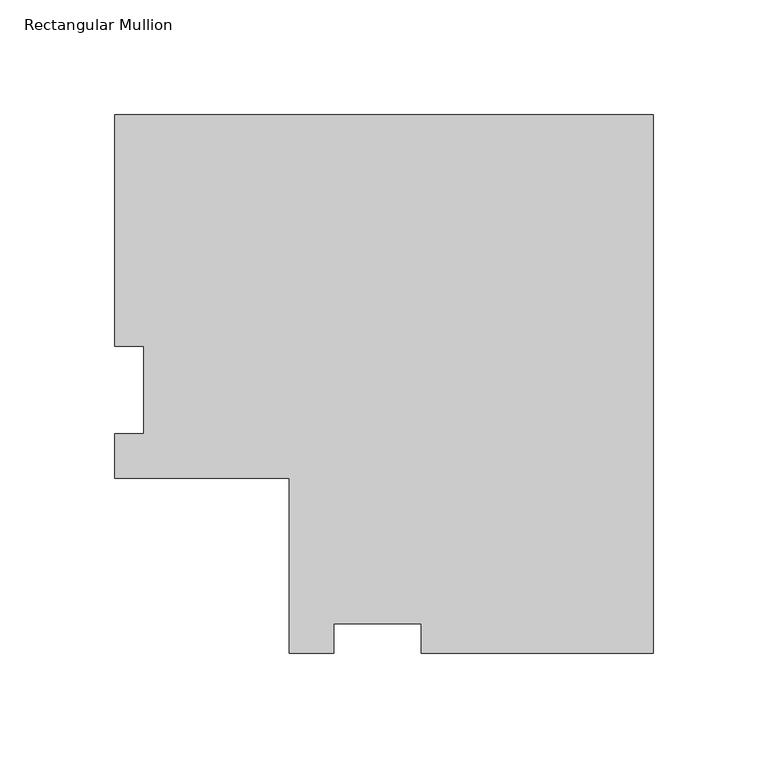
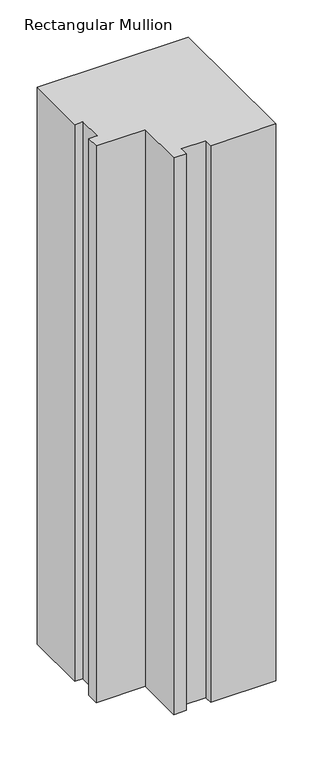
"""IFC4 building model written with IfcOpenShell, lengths in millimetres: member geometry, Rectangular Mullion."""

import ifcopenshell
import ifcopenshell.guid

model = None  # the IFC model being written
_history = None  # IfcOwnerHistory: only IFC2X3 demands one
_inside = {}  # id of a spatial element -> (the spatial element, [elements in it])
_under = {}  # id of a project, library or spatial element -> (it, [spatial elements below it])
_declared = {}  # id of a project -> (the project, [libraries it declares])
_typed = {}  # id of a type object -> (the type object, [elements of that type])
_made_of = {}  # id of a material, layer set ... -> (it, [elements and type objects made of it])


def new_model(schema):
    """Start an empty IFC model of exactly this schema.

    Asked for "IFC4X3", IfcOpenShell would pick the latest addendum, in which some entities
    have other attributes; the version numbers below select the first issue.
    IFC2X3 requires an IfcOwnerHistory on every rooted entity: one is made here for all.
    """
    global model, _history
    if schema == "IFC4X3":
        model = ifcopenshell.file(schema_version=(4, 3, 0, 0))
    else:
        model = ifcopenshell.file(schema=schema)
    _inside.clear()
    _under.clear()
    _declared.clear()
    _typed.clear()
    _made_of.clear()
    _history = None
    if model.schema == "IFC2X3":
        org = make("IfcOrganization", Name="unknown")
        user = make(
            "IfcPersonAndOrganization",
            ThePerson=make("IfcPerson", FamilyName="unknown"),
            TheOrganization=org,
        )
        app = make(
            "IfcApplication",
            ApplicationDeveloper=org,
            Version="unknown",
            ApplicationFullName="unknown",
            ApplicationIdentifier="unknown",
        )
        _history = make(
            "IfcOwnerHistory",
            OwningUser=user,
            OwningApplication=app,
            ChangeAction="ADDED",
            CreationDate=0,
        )
    return model


def make(cls, **values):
    """One entity of the class cls with the attributes given. An attribute that is None is left unset."""
    return model.create_entity(
        cls, **{name: value for name, value in values.items() if value is not None}
    )


def rooted(cls, **values):
    """An entity with a GlobalId (a new one), such as an element, a storey or a relation."""
    return make(cls, GlobalId=ifcopenshell.guid.new(), OwnerHistory=_history, **values)


def si_unit(unit_type, name, prefix=None):
    """IfcSIUnit, for example si_unit("LENGTHUNIT", "METRE", prefix="MILLI")."""
    return make("IfcSIUnit", UnitType=unit_type, Prefix=prefix, Name=name)


def assignment(units):
    """IfcUnitAssignment: the units of a project."""
    return None if units is None else make("IfcUnitAssignment", Units=units)


def point(xyz):
    """IfcCartesianPoint."""
    return None if xyz is None else make("IfcCartesianPoint", Coordinates=xyz)


def direction(xyz):
    """IfcDirection."""
    return None if xyz is None else make("IfcDirection", DirectionRatios=xyz)


def frame(location, z_axis=None, x_axis=None):
    """IfcAxis2Placement3D, a coordinate frame: its origin and axes. An axis left out is left unset."""
    return make(
        "IfcAxis2Placement3D",
        Location=point(location),
        Axis=direction(z_axis),
        RefDirection=direction(x_axis),
    )


def origin():
    """The frame at (0, 0, 0) with its axes left unset."""
    return frame((0.0, 0.0, 0.0))


def place(relative_to, where):
    """IfcLocalPlacement: puts the frame where relative to a parent placement (None: the world)."""
    return make(
        "IfcLocalPlacement", PlacementRelTo=relative_to, RelativePlacement=where
    )


def context(
    kind, dimensions, precision=None, world=None, true_north=None, identifier=None
):
    """IfcGeometricRepresentationContext, for example the 3D "Model" context."""
    return make(
        "IfcGeometricRepresentationContext",
        ContextIdentifier=identifier,
        ContextType=kind,
        CoordinateSpaceDimension=dimensions,
        Precision=precision,
        WorldCoordinateSystem=world,
        TrueNorth=true_north,
    )


def project(units=None, contexts=None):
    """IfcProject with its units and contexts."""
    return rooted(
        "IfcProject",
        Name="project",
        RepresentationContexts=contexts,
        UnitsInContext=assignment(units),
    )


def spatial(cls, under=None, at=None, **own):
    """A site, building, storey or space (cls), placed at a placement, below another one or the project."""
    s = rooted(cls, ObjectPlacement=at, **own)
    if under is not None:
        _under.setdefault(under.id(), (under, []))[1].append(s)
    return s


def polyline(points):
    """IfcPolyline through the points."""
    return make("IfcPolyline", Points=[point(p) for p in points])


def outline(outer, holes=None, kind="AREA"):
    """IfcArbitraryClosedProfileDef: a profile drawn as a closed curve; with holes, ...WithVoids."""
    if holes is None:
        return make("IfcArbitraryClosedProfileDef", ProfileType=kind, OuterCurve=outer)
    return make(
        "IfcArbitraryProfileDefWithVoids",
        ProfileType=kind,
        OuterCurve=outer,
        InnerCurves=holes,
    )


def extrude(swept, where, along, depth):
    """IfcExtrudedAreaSolid: the profile swept, set in the frame where, extruded along a direction by depth."""
    return make(
        "IfcExtrudedAreaSolid",
        SweptArea=swept,
        Position=where,
        ExtrudedDirection=direction(along),
        Depth=depth,
    )


def shape(context_of_items, identifier, shape_type, items):
    """IfcShapeRepresentation: the items that make up one representation, for example the "Body"."""
    return make(
        "IfcShapeRepresentation",
        ContextOfItems=context_of_items,
        RepresentationIdentifier=identifier,
        RepresentationType=shape_type,
        Items=items,
    )


def source(mapping_origin, context_of_items, identifier, shape_type, items):
    """IfcRepresentationMap: a shape defined once, which mapped items show again and again."""
    return make(
        "IfcRepresentationMap",
        MappingOrigin=mapping_origin,
        MappedRepresentation=shape(context_of_items, identifier, shape_type, items),
    )


def transform(
    local_origin,
    x_axis=None,
    y_axis=None,
    z_axis=None,
    scale=None,
    scale2=None,
    scale3=None,
    uniform=True,
):
    """IfcCartesianTransformationOperator3D, or its non-uniform kind. x_axis, y_axis, z_axis: its Axis1, 2, 3."""
    if uniform:
        return make(
            "IfcCartesianTransformationOperator3D",
            Axis1=direction(x_axis),
            Axis2=direction(y_axis),
            LocalOrigin=point(local_origin),
            Scale=scale,
            Axis3=direction(z_axis),
        )
    return make(
        "IfcCartesianTransformationOperator3DnonUniform",
        Axis1=direction(x_axis),
        Axis2=direction(y_axis),
        LocalOrigin=point(local_origin),
        Scale=scale,
        Axis3=direction(z_axis),
        Scale2=scale2,
        Scale3=scale3,
    )


def mapped(mapping_source, mapping_target):
    """IfcMappedItem: shows the shape of a source again, moved by a transform."""
    return make(
        "IfcMappedItem", MappingSource=mapping_source, MappingTarget=mapping_target
    )


def made_of(thing, what):
    """Note that an element or type object is made of a material, layer set ...; save() writes the relation."""
    if what is not None:
        _made_of.setdefault(what.id(), (what, []))[1].append(thing)
    return thing


def element(
    cls,
    number,
    at=None,
    inside=None,
    cuts=None,
    type_object=None,
    material=None,
    context=None,
    identifier="Body",
    shape_type=None,
    held_by="IfcProductDefinitionShape",
    body=None,
    shapes=None,
    **own,
):
    """One element of the class cls, such as IfcWall. Its Tag is "e" and its number.

    at: its placement. inside: the storey or other place that contains it. cuts: it is an
    opening in that element (IfcRelVoidsElement). A single representation is given by context,
    identifier, shape_type and body (its items); several are given by shapes. held_by: the class
    of the entity that holds the representations. save() writes the other relations.
    """
    e = rooted(cls, Tag="e%d" % number, ObjectPlacement=at, **own)
    if body is not None:
        shapes = [shape(context, identifier, shape_type, body)]
    if shapes is not None:
        e.Representation = make(held_by, Representations=shapes)
    if inside is not None:
        _inside.setdefault(inside.id(), (inside, []))[1].append(e)
    if cuts is not None:
        rooted(
            "IfcRelVoidsElement", RelatingBuildingElement=cuts, RelatedOpeningElement=e
        )
    if type_object is not None:
        _typed.setdefault(type_object.id(), (type_object, []))[1].append(e)
    return made_of(e, material)


def aggregate(whole, parts):
    """IfcRelAggregates: a whole, such as a stair, and the parts it consists of."""
    return rooted("IfcRelAggregates", RelatingObject=whole, RelatedObjects=parts)


def save(model, path):
    """Write the relations noted so far, then the file.

    IfcRelAggregates (storeys below a building ...), IfcRelContainedInSpatialStructure (elements
    in a storey), IfcRelDefinesByType, IfcRelAssociatesMaterial and IfcRelDeclares: one each for
    every whole, place, type object, material and project.
    """
    for whole, parts in _under.values():
        aggregate(whole, parts)
    for where, things in _inside.values():
        rooted(
            "IfcRelContainedInSpatialStructure",
            RelatedElements=things,
            RelatingStructure=where,
        )
    for kind, things in _typed.values():
        rooted("IfcRelDefinesByType", RelatedObjects=things, RelatingType=kind)
    for what, things in _made_of.values():
        rooted("IfcRelAssociatesMaterial", RelatedObjects=things, RelatingMaterial=what)
    for by, libraries in _declared.values():
        rooted("IfcRelDeclares", RelatingContext=by, RelatedDefinitions=libraries)
    model.write(path)


def rectangular_mullion_78ebbc0e(model_context):
    return source(origin(), model_context, "Body", "SweptSolid", [
        extrude(outline(polyline([(-235.0262, 158.8396938), (0.0, 158.8396938), (0.0, -76.1865062), (-101.1936, -76.1865062), (-101.1936, -63.4865063), (-139.2936, -63.4865063), (-139.2936, -76.1865063), (-158.8262, -76.1865063), (-158.8262, 0.0134937), (-235.0262, 0.0134937), (-235.0262, 19.5460938), (-222.3262, 19.5460938), (-222.3262, 57.6460938), (-235.0262, 57.6460938), (-235.0262, 158.8396938)])), frame((0.0, 0.0, -914.4), z_axis=(0.0, 0.0, 1.0), x_axis=(1.0, 0.0, 0.0)), (0.0, 0.0, 1.0), 914.4),
    ])


if __name__ == "__main__":
    model = new_model("IFC4")
    model_context = context("Model", 3, world=origin())
    ifc_project = project(units=[si_unit("LENGTHUNIT", "METRE", prefix="MILLI")], contexts=[model_context])
    site = spatial("IfcSite", under=ifc_project)
    building = spatial("IfcBuilding", under=site)
    placement = place(None, origin())
    rectangular_mullion_shape = rectangular_mullion_78ebbc0e(model_context)
    element("IfcMember", 1, ObjectType="Rectangular Mullion", at=placement, inside=building, context=model_context, shape_type="MappedRepresentation", body=[
        mapped(rectangular_mullion_shape, transform((0.0, 0.0, 0.0), x_axis=(1.0, 0.0, 0.0), y_axis=(0.0, 1.0, 0.0), z_axis=(0.0, 0.0, 1.0))),
    ])
    save(model, "model.ifc")
